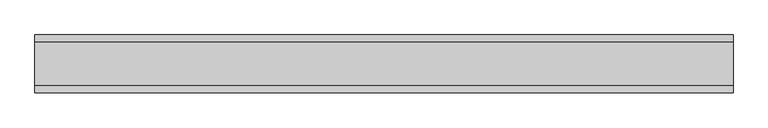
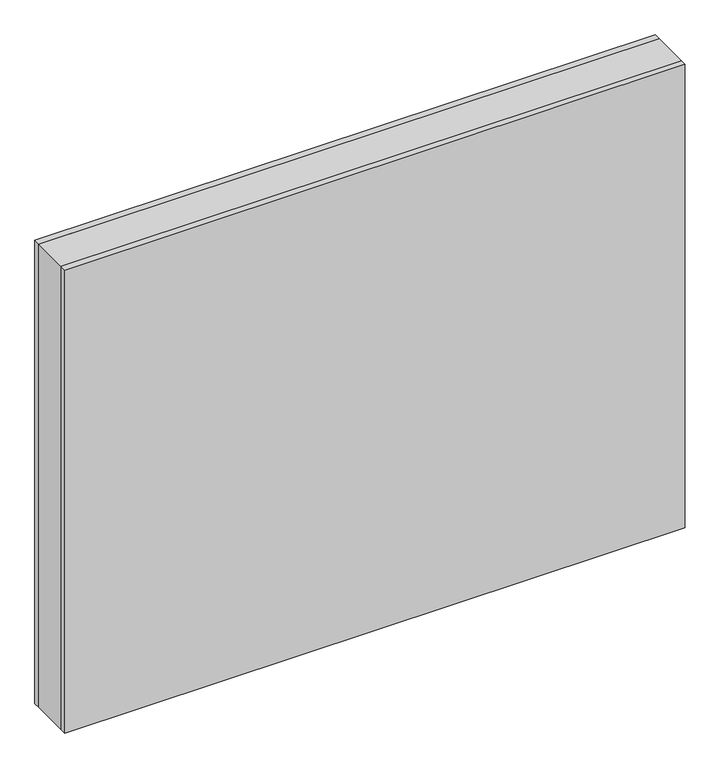
"""IFC4 building model written with IfcOpenShell, lengths in millimetres: plate geometry."""

from ifc_helpers import new_model, si_unit, origin, origin_with_axes, place, context, project, spatial, polyline, outline, extrude, source, transform, mapped, element, save


def plate_de5f86bf(model_context):
    return source(origin(), model_context, "Body", "SweptSolid", [
        extrude(outline(polyline([(602.4375001, 37.0), (602.4375001, -37.0), (-602.4375001, -37.0), (-602.4375001, 37.0), (602.4375001, 37.0)])), origin_with_axes(), (0.0, 0.0, 1.0), 950.25),
        extrude(outline(polyline([(602.4375001, 50.0), (602.4375001, 37.0), (-602.4375001, 37.0), (-602.4375001, 50.0), (602.4375001, 50.0)])), origin_with_axes(), (0.0, 0.0, 1.0), 950.25),
        extrude(outline(polyline([(-602.4375001, -50.0), (-602.4375001, -37.0), (602.4375001, -37.0), (602.4375001, -50.0), (-602.4375001, -50.0)])), origin_with_axes(), (0.0, 0.0, 1.0), 950.25),
    ])


if __name__ == "__main__":
    model = new_model("IFC4")
    model_context = context("Model", 3, world=origin())
    ifc_project = project(units=[si_unit("LENGTHUNIT", "METRE", prefix="MILLI")], contexts=[model_context])
    site = spatial("IfcSite", under=ifc_project)
    building = spatial("IfcBuilding", under=site)
    placement = place(None, origin())
    plate_shape = plate_de5f86bf(model_context)
    element("IfcPlate", 1, at=placement, inside=building, context=model_context, shape_type="MappedRepresentation", body=[
        mapped(plate_shape, transform((0.0, 0.0, 0.0), x_axis=(1.0, 0.0, 0.0), y_axis=(0.0, 1.0, 0.0), z_axis=(0.0, 0.0, 1.0))),
    ])
    save(model, "model.ifc")
